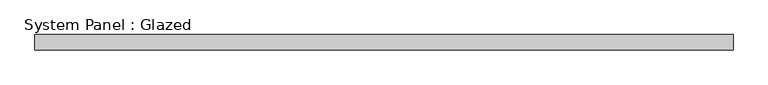
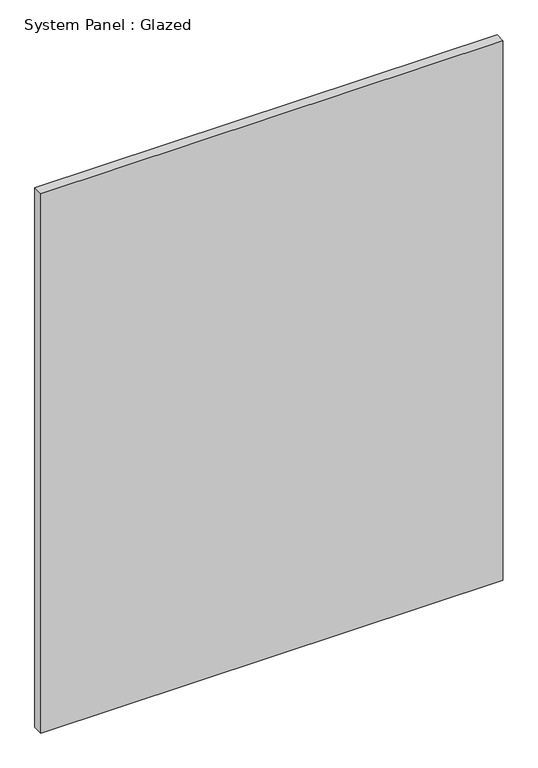
"""IFC4 building model written with IfcOpenShell, lengths in millimetres: plate geometry, System Panel : Glazed."""

from ifc_helpers import new_model, si_unit, origin, origin_with_axes, place, context, project, spatial, polyline, outline, extrude, source, transform, mapped, element, save


def system_panel_glazed_c91fd425(model_context):
    return source(origin(), model_context, "Body", "SweptSolid", [
        extrude(outline(polyline([(586.58125, -44.45), (-586.58125, -44.45), (-586.58125, -19.05), (586.58125, -19.05), (586.58125, -44.45)])), origin_with_axes(), (0.0, 0.0, 1.0), 1447.8),
    ])


if __name__ == "__main__":
    model = new_model("IFC4")
    model_context = context("Model", 3, world=origin())
    ifc_project = project(units=[si_unit("LENGTHUNIT", "METRE", prefix="MILLI")], contexts=[model_context])
    site = spatial("IfcSite", under=ifc_project)
    building = spatial("IfcBuilding", under=site)
    placement = place(None, origin())
    system_panel_glazed_shape = system_panel_glazed_c91fd425(model_context)
    element("IfcPlate", 1, ObjectType="System Panel : Glazed", at=placement, inside=building, context=model_context, shape_type="MappedRepresentation", body=[
        mapped(system_panel_glazed_shape, transform((0.0, 0.0, 0.0), x_axis=(1.0, 0.0, 0.0), y_axis=(0.0, 1.0, 0.0), z_axis=(0.0, 0.0, 1.0))),
    ])
    save(model, "model.ifc")
